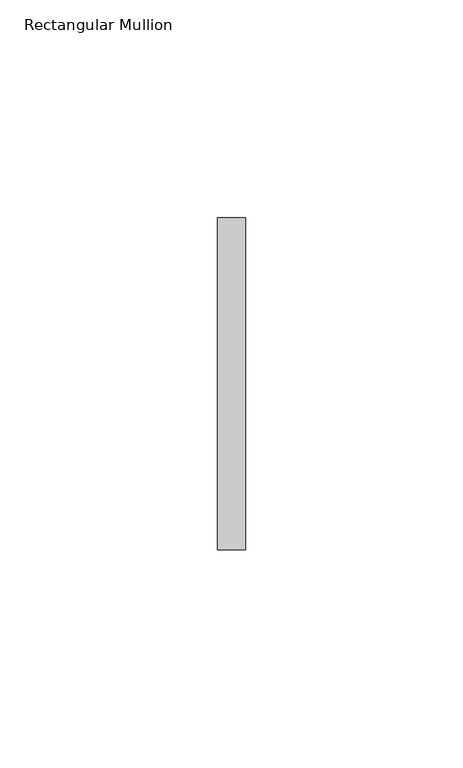
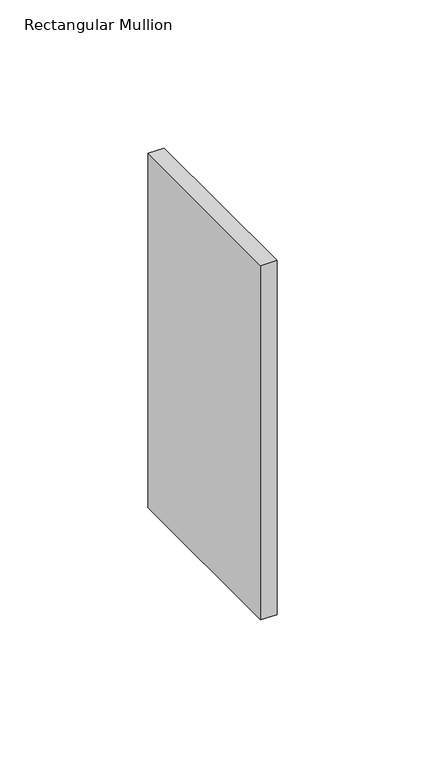
"""IFC4 building model written with IfcOpenShell, lengths in millimetres: member geometry, Rectangular Mullion."""

from ifc_helpers import new_model, si_unit, frame, origin, place, context, project, spatial, polyline, outline, extrude, source, transform, mapped, element, save


def rectangular_mullion_7a8d73bc(model_context):
    return source(origin(), model_context, "Body", "SweptSolid", [
        extrude(outline(polyline([(0.0, 38.1), (0.0, -38.1), (-6.35, -38.1), (-6.35, 38.1), (0.0, 38.1)])), frame((0.0, 0.0, -146.0500003), z_axis=(0.0, 0.0, 1.0), x_axis=(1.0, 0.0, 0.0)), (0.0, 0.0, 1.0), 146.0500003),
    ])


if __name__ == "__main__":
    model = new_model("IFC4")
    model_context = context("Model", 3, world=origin())
    ifc_project = project(units=[si_unit("LENGTHUNIT", "METRE", prefix="MILLI")], contexts=[model_context])
    site = spatial("IfcSite", under=ifc_project)
    building = spatial("IfcBuilding", under=site)
    placement = place(None, origin())
    rectangular_mullion_shape = rectangular_mullion_7a8d73bc(model_context)
    element("IfcMember", 1, ObjectType="Rectangular Mullion", at=placement, inside=building, context=model_context, shape_type="MappedRepresentation", body=[
        mapped(rectangular_mullion_shape, transform((0.0, 0.0, 0.0), x_axis=(1.0, 0.0, 0.0), y_axis=(0.0, 1.0, 0.0), z_axis=(0.0, 0.0, 1.0))),
    ])
    save(model, "model.ifc")
